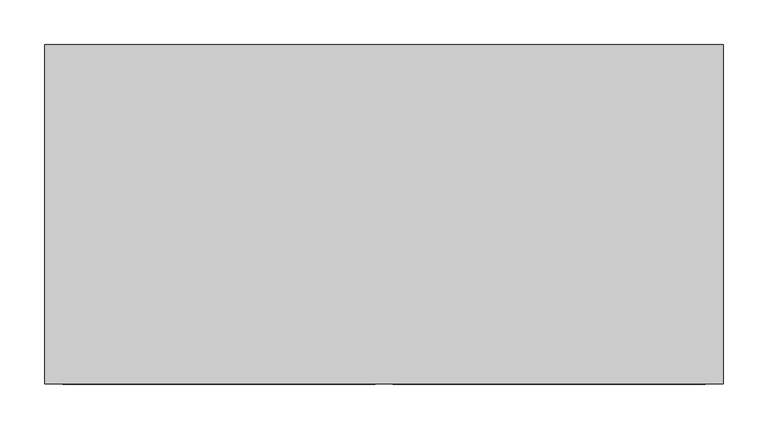
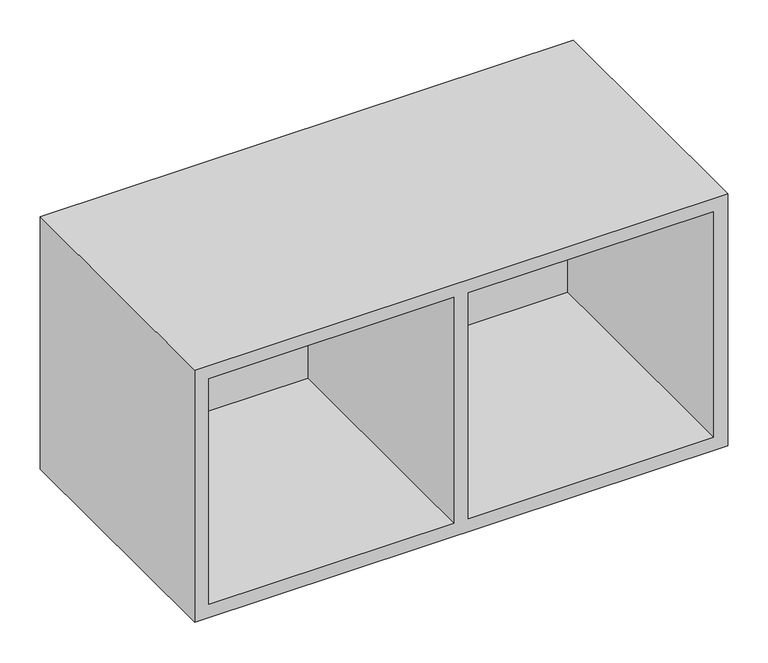
"""IFC4 building model written with IfcOpenShell, lengths in millimetres: furniture geometry."""

from ifc_helpers import new_model, si_unit, origin, place, context, project, spatial, faceted_brep, source, transform, mapped, element, save


def furniture_63a6a241(model_context):
    return source(origin(), model_context, "Body", "Brep", [
        faceted_brep([(370.4084682, -381.0, 1306.1696643), (370.4084682, -381.0, 1646.8343357), (370.4084682, -20.1675917, 1646.8343357), (370.4084682, -20.1675917, 1306.1696643), (0.0, -381.0, 1667.002), (0.0, -381.0, 1286.002), (760.984, -381.0, 1286.002), (760.984, -381.0, 1667.002), (20.1673737, -381.0, 1306.1696643), (20.1673737, -381.0, 1646.8343357), (390.5755318, -381.0, 1306.1696643), (390.5755318, -381.0, 1646.8343357), (740.8166263, -381.0, 1646.8343357), (740.8166263, -381.0, 1306.1696643), (390.5755318, -20.1675917, 1306.1696643), (390.5755318, -20.1675917, 1646.8343357), (20.1673737, -20.1675917, 1306.1696643), (740.8166263, -20.1675917, 1306.1696643), (0.0, 0.0, 1286.002), (760.984, 0.0, 1286.002), (0.0, 0.0, 1667.002), (760.984, 0.0, 1667.002), (20.1673737, -20.1675917, 1646.8343357), (740.8166263, -20.1675917, 1646.8343357)], [[[0, 1, 2, 3]], [[4, 5, 6, 7], [1, 0, 8, 9], [10, 11, 12, 13]], [[11, 10, 14, 15]], [[8, 0, 3, 16]], [[10, 13, 17, 14]], [[18, 19, 6, 5]], [[20, 4, 7, 21]], [[4, 20, 18, 5]], [[8, 16, 22, 9]], [[3, 2, 22, 16]], [[15, 14, 17, 23]], [[17, 13, 12, 23]], [[21, 7, 6, 19]], [[20, 21, 19, 18]], [[1, 9, 22, 2]], [[12, 11, 15, 23]]]),
    ])


if __name__ == "__main__":
    model = new_model("IFC4")
    model_context = context("Model", 3, world=origin())
    ifc_project = project(units=[si_unit("LENGTHUNIT", "METRE", prefix="MILLI")], contexts=[model_context])
    site = spatial("IfcSite", under=ifc_project)
    building = spatial("IfcBuilding", under=site)
    placement = place(None, origin())
    furniture_shape = furniture_63a6a241(model_context)
    element("IfcFurniture", 1, at=placement, inside=building, context=model_context, shape_type="MappedRepresentation", body=[
        mapped(furniture_shape, transform((0.0, 0.0, 0.0), x_axis=(1.0, 0.0, 0.0), y_axis=(0.0, 1.0, 0.0), z_axis=(0.0, 0.0, 1.0))),
    ])
    save(model, "model.ifc")
